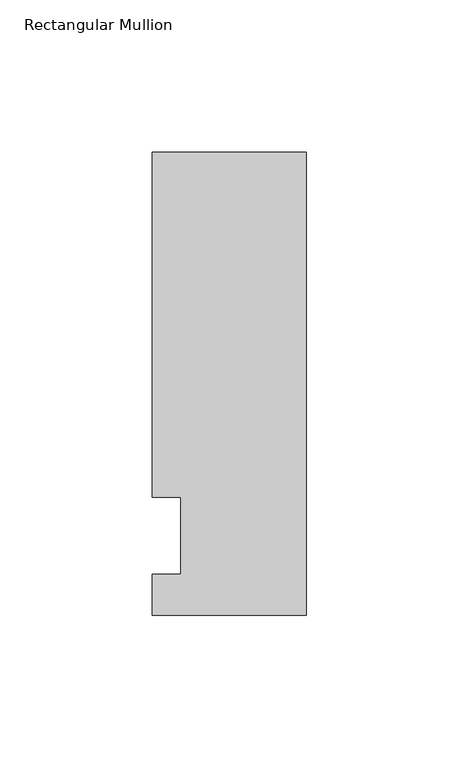
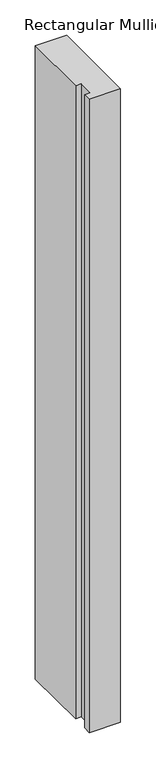
"""IFC4 building model written with IfcOpenShell, lengths in millimetres: member geometry, Rectangular Mullion."""

from ifc_helpers import new_model, si_unit, frame, origin, place, context, project, spatial, polyline, outline, extrude, source, transform, mapped, element, save


def rectangular_mullion_8273c383(model_context):
    return source(origin(), model_context, "Body", "SweptSolid", [
        extrude(outline(polyline([(0.0, -26.19375), (-50.8, -26.19375), (-50.8, -12.7), (-41.275, -12.7), (-41.275, 12.7), (-50.8, 12.7), (-50.8, 126.20625), (0.0, 126.20625), (0.0, -26.19375)])), frame((0.0, 0.0, -1092.2), z_axis=(0.0, 0.0, 1.0), x_axis=(1.0, 0.0, 0.0)), (0.0, 0.0, 1.0), 1092.2),
    ])


if __name__ == "__main__":
    model = new_model("IFC4")
    model_context = context("Model", 3, world=origin())
    ifc_project = project(units=[si_unit("LENGTHUNIT", "METRE", prefix="MILLI")], contexts=[model_context])
    site = spatial("IfcSite", under=ifc_project)
    building = spatial("IfcBuilding", under=site)
    placement = place(None, origin())
    rectangular_mullion_shape = rectangular_mullion_8273c383(model_context)
    element("IfcMember", 1, ObjectType="Rectangular Mullion", at=placement, inside=building, context=model_context, shape_type="MappedRepresentation", body=[
        mapped(rectangular_mullion_shape, transform((0.0, 0.0, 0.0), x_axis=(1.0, 0.0, 0.0), y_axis=(0.0, 1.0, 0.0), z_axis=(0.0, 0.0, 1.0))),
    ])
    save(model, "model.ifc")
